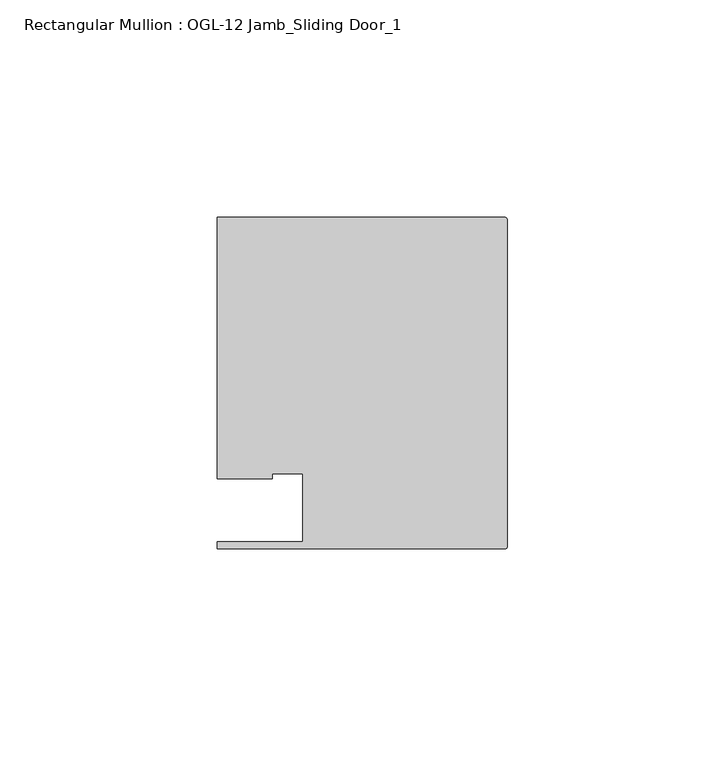
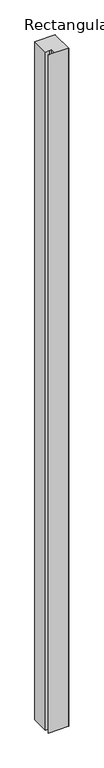
"""IFC4 building model written with IfcOpenShell, lengths in millimetres: member geometry, Rectangular Mullion : OGL-12 Jamb_Sliding Door_1."""

from ifc_helpers import new_model, si_unit, point, frame, frame_2d, origin, place, context, project, spatial, polyline, circle_curve, trimmed, segment, composite_curve, outline, extrude, source, transform, mapped, element, save


def rectangular_mullion_ogl_12_jamb_sliding_door_1_bf4f2518(model_context):
    return source(origin(), model_context, "Body", "SweptSolid", [
        extrude(outline(composite_curve([segment(polyline([(-47.0121851, -36.512516), (-47.0121851, -20.8257348), (-54.0386602, -20.8257348), (-54.0386602, -21.9710976), (-66.6740655, -21.9710976), (-66.6740655, 38.0996792), (-0.5953125, 38.0996792)]), True, "CONTINUOUS"), segment(trimmed(circle_curve(frame_2d((-0.5953125, 37.5043667)), 0.5953125), [point((-0.5953125, 38.0996792))], [point((0.0, 37.5043667))], False, "CARTESIAN"), True, "CONTINUOUS"), segment(polyline([(0.0, 37.5043667), (0.0, -37.5047035)]), True, "CONTINUOUS"), segment(trimmed(circle_curve(frame_2d((-0.5953125, -37.5047035)), 0.5953125), [point((0.0, -37.5047035))], [point((-0.5953125, -38.100016))], False, "CARTESIAN"), True, "CONTINUOUS"), segment(polyline([(-0.5953125, -38.100016), (-66.6649711, -38.100016), (-66.6649711, -36.512516), (-47.0121851, -36.512516)]), True, "CONTINUOUS")], self_intersect=False)), frame((0.0, 0.0, -2349.4916588), z_axis=(0.0, 0.0, 1.0), x_axis=(1.0, 0.0, 0.0)), (0.0, 0.0, 1.0), 2349.4916588),
    ])


if __name__ == "__main__":
    model = new_model("IFC4")
    model_context = context("Model", 3, world=origin())
    ifc_project = project(units=[si_unit("LENGTHUNIT", "METRE", prefix="MILLI")], contexts=[model_context])
    site = spatial("IfcSite", under=ifc_project)
    building = spatial("IfcBuilding", under=site)
    placement = place(None, origin())
    rectangular_mullion_ogl_12_jamb_sliding_door_1_shape = rectangular_mullion_ogl_12_jamb_sliding_door_1_bf4f2518(model_context)
    element("IfcMember", 1, ObjectType="Rectangular Mullion : OGL-12 Jamb_Sliding Door_1", at=placement, inside=building, context=model_context, shape_type="MappedRepresentation", body=[
        mapped(rectangular_mullion_ogl_12_jamb_sliding_door_1_shape, transform((0.0, 0.0, 0.0), x_axis=(1.0, 0.0, 0.0), y_axis=(0.0, 1.0, 0.0), z_axis=(0.0, 0.0, 1.0))),
    ])
    save(model, "model.ifc")
